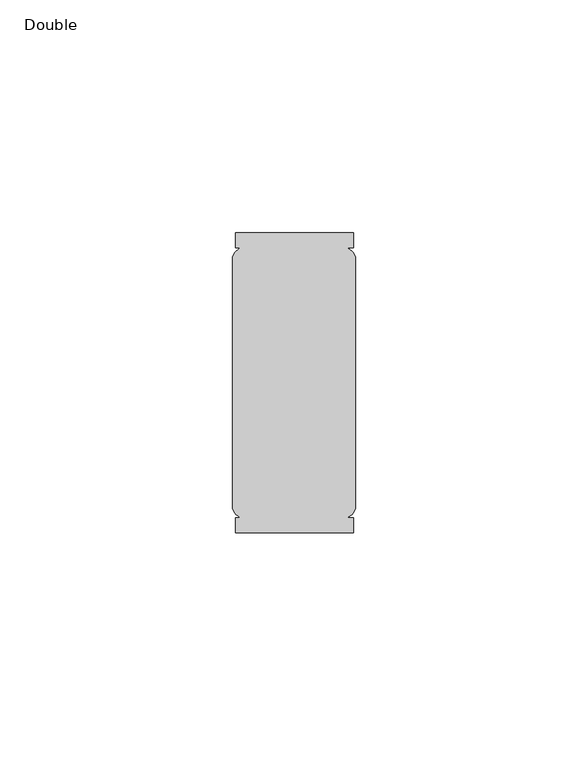
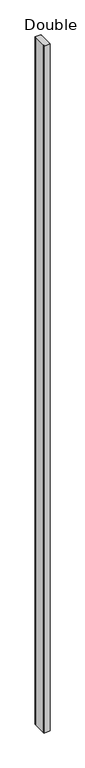
"""IFC4 building model written with IfcOpenShell, lengths in millimetres: furniture geometry, Double."""

from ifc_helpers import new_model, si_unit, point, frame, frame_2d, origin, place, context, project, spatial, polyline, circle_curve, trimmed, segment, composite_curve, outline, extrude, source, transform, mapped, element, save


def double_2e4e1a7a(model_context):
    return source(origin(), model_context, "Body", "SweptSolid", [
        extrude(outline(composite_curve([segment(polyline([(-13.2844361, -22.5506771), (-13.2844361, 31.4914771)]), True, "CONTINUOUS"), segment(trimmed(circle_curve(frame_2d((-10.5835219, 30.7762858)), 2.794), [point((-13.2844361, 31.4914771))], [point((-11.2987132, 33.4772))], False, "CARTESIAN"), True, "CONTINUOUS"), segment(polyline([(-11.2987132, 33.4772), (-12.7, 33.4772), (-12.7, 36.6522), (12.7, 36.6522), (12.7, 33.4772), (11.0532868, 33.4772)]), True, "CONTINUOUS"), segment(trimmed(circle_curve(frame_2d((10.3380955, 30.7762858)), 2.794), [point((11.0532868, 33.4772))], [point((13.0390096, 31.4914771))], False, "CARTESIAN"), True, "CONTINUOUS"), segment(polyline([(13.0390096, 31.4914771), (13.0390096, -22.5506771)]), True, "CONTINUOUS"), segment(trimmed(circle_curve(frame_2d((10.3380955, -21.8354858)), 2.794), [point((13.0390096, -22.5506771))], [point((11.0532868, -24.5364))], False, "CARTESIAN"), True, "CONTINUOUS"), segment(polyline([(11.0532868, -24.5364), (12.7, -24.5364), (12.7, -27.7114), (-12.7, -27.7114), (-12.7, -24.5364), (-11.2987132, -24.5364)]), True, "CONTINUOUS"), segment(trimmed(circle_curve(frame_2d((-10.5835219, -21.8354858)), 2.794), [point((-11.2987132, -24.5364))], [point((-13.2844361, -22.5506771))], False, "CARTESIAN"), True, "CONTINUOUS")], self_intersect=False)), frame((0.0, 0.0, 29.718), z_axis=(0.0, 0.0, 1.0), x_axis=(1.0, 0.0, 0.0)), (0.0, 0.0, 1.0), 2972.9641818),
    ])


if __name__ == "__main__":
    model = new_model("IFC4")
    model_context = context("Model", 3, world=origin())
    ifc_project = project(units=[si_unit("LENGTHUNIT", "METRE", prefix="MILLI")], contexts=[model_context])
    site = spatial("IfcSite", under=ifc_project)
    building = spatial("IfcBuilding", under=site)
    placement = place(None, origin())
    double_shape = double_2e4e1a7a(model_context)
    element("IfcFurniture", 1, ObjectType="Double", at=placement, inside=building, context=model_context, shape_type="MappedRepresentation", body=[
        mapped(double_shape, transform((0.0, 0.0, 0.0), x_axis=(1.0, 0.0, 0.0), y_axis=(0.0, 1.0, 0.0), z_axis=(0.0, 0.0, 1.0))),
    ])
    save(model, "model.ifc")
